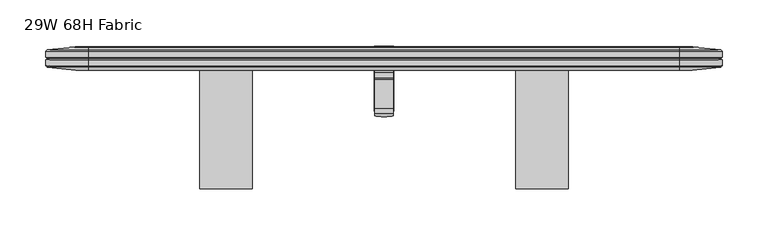
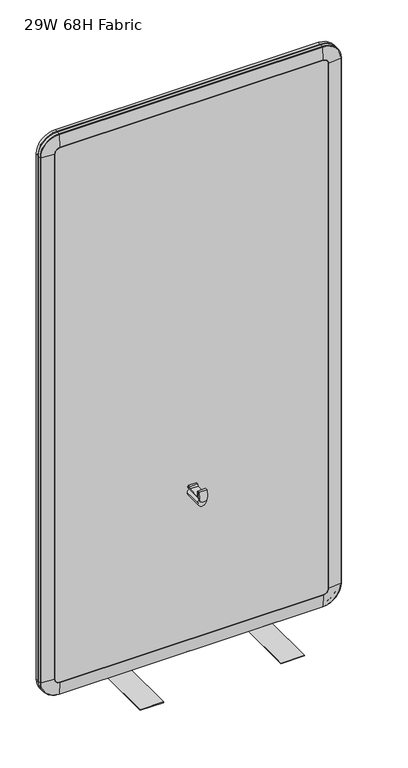
"""IFC4 building model written with IfcOpenShell, lengths in millimetres: furniture geometry, 29W 68H Fabric."""

from ifc_helpers import new_model, si_unit, point, frame, origin, place, context, project, spatial, polyline, circle_curve, ellipse_curve, trimmed, outline, extrude, faceted_brep, source, transform, mapped, element, save
from ifc_brep_helpers import plane_surface, cylinder_surface, revolved_surface, advanced_brep


def furniture_29w_68h_fabric_e9968ca6(model_context):
    return source(origin(), model_context, "Body", "SolidModel", [
        faceted_brep([(378.0789937, -2.6277066, 718.3078995), (378.0789937, -7.8728065, 718.3078995), (378.0789937, -9.612707, 713.1770353), (378.0789937, -41.8453065, 713.1770353), (378.0789937, -41.8453065, 727.3377989), (378.0789937, -47.4124812, 727.6782578), (378.0789937, -49.3824418, 711.6342516), (378.0789937, -46.6092656, 711.2937476), (378.0789937, -44.6393083, 725.0708588), (378.0789937, -44.6393083, 711.6530731), (378.0789937, 0.0, 711.6530731), (378.0789937, 0.0, 713.1770353), (378.0789937, -6.4377066, 713.1770353), (378.0789937, -6.2853063, 716.7838646), (378.0789937, -2.6277066, 716.7838646), (358.4447997, -2.6277066, 718.3078995), (358.4447997, -2.6277066, 716.7838646), (358.4447997, -6.2853063, 716.7838646), (358.4447997, -6.4377066, 713.1770353), (358.4447997, 0.0, 713.1770353), (358.4447997, 0.0, 711.6530731), (358.4447997, -44.6393083, 711.6530731), (358.4447997, -44.6393083, 725.0708588), (358.4447997, -46.6092689, 711.2937201), (358.4447997, -49.3824418, 711.6342516), (358.4447997, -47.4124812, 727.6782578), (358.4447997, -41.8453065, 727.3377989), (358.4447997, -41.8453065, 713.1770353), (358.4447997, -9.612707, 713.1770353), (358.4447997, -7.8728065, 718.3078995), (359.7326571, -50.2284276, 704.7442655), (365.0869088, -50.5788515, 701.8902979), (371.4368846, -50.5788515, 701.8902979), (376.7911363, -50.2284276, 704.7442655), (359.7326571, -47.4552511, 704.4037615), (376.7911363, -47.4552511, 704.4037615), (371.4368846, -47.805675, 701.5497938), (365.0869088, -47.805675, 701.5497938)], [[[0, 1, 2, 3, 4, 5, 6, 7, 8, 9, 10, 11, 12, 13, 14]], [[15, 16, 17, 18, 19, 20, 21, 22, 23, 24, 25, 26, 27, 28, 29]], [[1, 0, 15, 29]], [[2, 1, 29, 28]], [[3, 2, 28, 27]], [[4, 3, 27, 26]], [[5, 4, 26, 25]], [[6, 5, 25, 24, 30, 31, 32, 33]], [[8, 7, 23, 22]], [[9, 8, 22, 21]], [[10, 9, 21, 20]], [[11, 10, 20, 19]], [[12, 11, 19, 18]], [[13, 12, 18, 17]], [[14, 13, 17, 16]], [[0, 14, 16, 15]], [[34, 23, 7, 35, 36, 37]], [[31, 30, 34, 37]], [[32, 31, 37, 36]], [[33, 32, 36, 35]], [[6, 33, 35, 7]], [[30, 24, 23, 34]]]),
        advanced_brep(
        [(357.6250945, -44.6393083, 697.9244563), (378.8987055, -44.6393083, 697.9244563), (357.6250945, 26.4188362, 697.9244563), (378.8987055, 26.4188362, 697.9244563)],
        [
            (0, 1, circle_curve(frame((368.2619, -44.6393083, 697.9244563), z_axis=(0.0, -1.0, 0.0), x_axis=(1.0, 0.0, 0.0)), 10.6368055)),
            (1, 0, circle_curve(frame((368.2619, -44.6393083, 697.9244563), z_axis=(0.0, -1.0, 0.0), x_axis=(1.0, 0.0, 0.0)), 10.6368055)),
            (2, 3, circle_curve(frame((368.2619, 26.4188362, 697.9244563), z_axis=(0.0, 1.0, 0.0), x_axis=(1.0, 0.0, 0.0)), 10.6368055)),
            (3, 2, circle_curve(frame((368.2619, 26.4188362, 697.9244563), z_axis=(0.0, 1.0, 0.0), x_axis=(1.0, 0.0, 0.0)), 10.6368055)),
            (0, 2),
            (3, 1),
        ],
        [
            plane_surface(frame((378.8987055, -44.6393083, 697.9244563), z_axis=(0.0, -1.0, 0.0), x_axis=(0.0, 0.0, 1.0))),
            plane_surface(frame((378.8987055, 26.4188362, 697.9244563), z_axis=(0.0, 1.0, 0.0), x_axis=(0.0, 0.0, -1.0))),
            cylinder_surface(frame((368.2619, 26.4188362, 697.9244563), z_axis=(0.0, -1.0, 0.0), x_axis=(1.0, 0.0, 0.0)), 10.6368055),
        ],
        [
            (0, [[1, 2]]),
            (1, [[3, 4]]),
            (2, [[-1, 5, -4, 6]]),
            (2, [[-2, -6, -3, -5]]),
        ],
    ),
        extrude(outline(polyline([(11.6100608, 299.6271871), (13.3880602, 299.6271871), (13.3880602, 280.5771871), (-128.851937, 280.5771871), (-128.851937, 282.3551854), (11.6100608, 282.3551854), (11.6100608, 299.6271871)])), frame((511.8098934, 0.0, 0.0), z_axis=(1.0, 0.0, 0.0), x_axis=(0.0, 1.0, 0.0)), (0.0, 0.0, 1.0), 57.15),
        advanced_brep(
        [(32.6290972, 0.060067, 1685.4384987), (46.0374985, 0.060067, 1698.8469), (46.0374985, 3.1660648, 1729.8795636), (1.5964336, 3.1660648, 1685.4384987), (33.8323782, 0.0, 1685.4384987), (46.0374985, 0.0, 1697.6436189), (31.2877283, 25.2051854, 1685.4384987), (46.0374985, 25.2051854, 1700.1882689), (46.0374985, 25.4000008, 1696.2954989), (35.1804983, 25.4000008, 1685.4384987), (1.5874985, 22.2249992, 1685.4384987), (46.0374985, 22.2249992, 1729.8884987), (0.0635363, 20.7010007, 1685.4384987), (46.0374985, 20.7010007, 1731.4124609), (0.0635363, 14.2240001, 1685.4384987), (46.0374985, 14.2240001, 1731.4124609), (1.5874985, 12.7000004, 1685.4384987), (46.0374985, 12.7000004, 1729.8884987), (0.0635363, 11.1759996, 1685.4384987), (46.0374985, 11.1759996, 1731.4124609), (0.0635363, 4.6990001, 1685.4384987), (46.0374985, 4.6990001, 1731.4124609), (1.5964336, 3.1660648, 329.7896689), (32.6290972, 0.060067, 329.7896689), (33.8323782, 0.0, 329.7896689), (35.1804983, 25.4000008, 329.7896689), (31.2877283, 25.2051854, 329.7896689), (1.5874985, 22.2249992, 329.7896689), (0.0635363, 20.7010007, 329.7896689), (0.0635363, 14.2240001, 329.7896689), (1.5874985, 12.7000004, 329.7896689), (0.0635363, 11.1759996, 329.7896689), (0.0635363, 4.6990001, 329.7896689), (46.0374985, 3.1660648, 285.3486041), (46.0374985, 0.060067, 316.3812677), (46.0374985, 0.0, 317.5845487), (46.0374985, 25.4000008, 318.9326688), (46.0374985, 25.2051854, 315.0398987), (46.0374985, 22.2249992, 285.3396689), (46.0374985, 20.7010007, 283.8157067), (46.0374985, 14.2240001, 283.8157067), (46.0374985, 12.7000004, 285.3396689), (46.0374985, 11.1759996, 283.8157067), (46.0374985, 4.6990001, 283.8157067), (690.4863176, 3.1660648, 285.3486041), (690.4863176, 0.060067, 316.3812677), (690.4863176, 0.0, 317.5845487), (690.4863176, 25.4000008, 318.9326688), (690.4863176, 25.2051854, 315.0398987), (690.4863176, 22.2249992, 285.3396689), (690.4863176, 20.7010007, 283.8157067), (690.4863176, 14.2240001, 283.8157067), (690.4863176, 12.7000004, 285.3396689), (690.4863176, 11.1759996, 283.8157067), (690.4863176, 4.6990001, 283.8157067), (734.9273825, 3.1660648, 329.7896689), (703.8947189, 0.060067, 329.7896689), (702.6914379, 0.0, 329.7896689), (701.3433178, 25.4000008, 329.7896689), (705.2360878, 25.2051854, 329.7896689), (734.9363176, 22.2249992, 329.7896689), (736.4602798, 20.7010007, 329.7896689), (736.4602798, 14.2240001, 329.7896689), (734.9363176, 12.7000004, 329.7896689), (736.4602798, 11.1759996, 329.7896689), (736.4602798, 4.6990001, 329.7896689), (734.9273825, 3.1660648, 1685.4384987), (703.8947189, 0.060067, 1685.4384987), (702.6914379, 0.0, 1685.4384987), (701.3433178, 25.4000008, 1685.4384987), (705.2360878, 25.2051854, 1685.4384987), (734.9363176, 22.2249992, 1685.4384987), (736.4602798, 20.7010007, 1685.4384987), (736.4602798, 14.2240001, 1685.4384987), (734.9363176, 12.7000004, 1685.4384987), (736.4602798, 11.1759996, 1685.4384987), (736.4602798, 4.6990001, 1685.4384987), (690.4863176, 3.1660648, 1729.8795636), (690.4863176, 0.060067, 1698.8469), (690.4863176, 0.0, 1697.6436189), (690.4863176, 25.4000008, 1696.2954989), (690.4863176, 25.2051854, 1700.1882689), (690.4863176, 22.2249992, 1729.8884987), (690.4863176, 20.7010007, 1731.4124609), (690.4863176, 14.2240001, 1731.4124609), (690.4863176, 12.7000004, 1729.8884987), (690.4863176, 11.1759996, 1731.4124609), (690.4863176, 4.6990001, 1731.4124609)],
        [
            (0, 1, circle_curve(frame((46.0374985, 0.060067, 1685.4384987), z_axis=(0.0, 1.0, 0.0), x_axis=(0.0, 0.0, 1.0)), 13.4084013)),
            (1, 2),
            (2, 3, circle_curve(frame((46.0374985, 3.1660648, 1685.4384987), z_axis=(0.0, -1.0, 0.0), x_axis=(0.0, 0.0, 1.0)), 44.4410649)),
            (3, 0),
            (0, 4, circle_curve(frame((33.8323782, 12.0822956, 1685.4384987), z_axis=(0.0, 0.0, 1.0), x_axis=(1.0, 0.0, 0.0)), 12.0822956)),
            (4, 5, circle_curve(frame((46.0374985, 0.0, 1685.4384987), z_axis=(0.0, 1.0, 0.0), x_axis=(0.0, 0.0, 1.0)), 12.2051202)),
            (5, 1, circle_curve(frame((46.0374985, 12.0822956, 1697.6436189), z_axis=(-1.0, 0.0, 0.0), x_axis=(0.0, 0.0, -1.0)), 12.0822956)),
            (6, 7, circle_curve(frame((46.0374985, 25.2051854, 1685.4384987), z_axis=(0.0, 1.0, 0.0), x_axis=(0.0, 0.0, 1.0)), 14.7497702)),
            (7, 8, circle_curve(frame((46.0374985, -13.589762, 1696.2954989), z_axis=(-1.0, 0.0, 0.0), x_axis=(0.0, 0.0, -1.0)), 38.9897628)),
            (8, 9, circle_curve(frame((46.0374985, 25.4000008, 1685.4384987), z_axis=(0.0, -1.0, 0.0), x_axis=(0.0, 0.0, 1.0)), 10.8570002)),
            (9, 6, circle_curve(frame((35.1804983, -13.589762, 1685.4384987), z_axis=(0.0, 0.0, 1.0), x_axis=(1.0, 0.0, 0.0)), 38.9897628)),
            (6, 10),
            (10, 11, circle_curve(frame((46.0374985, 22.2249992, 1685.4384987), z_axis=(0.0, 1.0, 0.0), x_axis=(0.0, 0.0, 1.0)), 44.45)),
            (11, 7),
            (10, 12),
            (12, 13, circle_curve(frame((46.0374985, 20.7010007, 1685.4384987), z_axis=(0.0, 1.0, 0.0), x_axis=(0.0, 0.0, 1.0)), 45.9739622)),
            (13, 11),
            (12, 14),
            (14, 15, circle_curve(frame((46.0374985, 14.2240001, 1685.4384987), z_axis=(0.0, 1.0, 0.0), x_axis=(0.0, 0.0, 1.0)), 45.9739622)),
            (15, 13),
            (14, 16),
            (16, 17, circle_curve(frame((46.0374985, 12.7000004, 1685.4384987), z_axis=(0.0, 1.0, 0.0), x_axis=(0.0, 0.0, 1.0)), 44.45)),
            (17, 15),
            (16, 18),
            (18, 19, circle_curve(frame((46.0374985, 11.1759996, 1685.4384987), z_axis=(0.0, 1.0, 0.0), x_axis=(0.0, 0.0, 1.0)), 45.9739622)),
            (19, 17),
            (18, 20),
            (20, 21, circle_curve(frame((46.0374985, 4.6990001, 1685.4384987), z_axis=(0.0, 1.0, 0.0), x_axis=(0.0, 0.0, 1.0)), 45.9739622)),
            (21, 19),
            (2, 21),
            (20, 3),
            (3, 22),
            (22, 23),
            (23, 0),
            (23, 24, circle_curve(frame((33.8323782, 12.0822956, 329.7896689), z_axis=(0.0, 0.0, 1.0), x_axis=(1.0, 0.0, 0.0)), 12.0822956)),
            (24, 4),
            (9, 25),
            (25, 26, circle_curve(frame((35.1804983, -13.589762, 329.7896689), z_axis=(0.0, 0.0, 1.0), x_axis=(1.0, 0.0, 0.0)), 38.9897628)),
            (26, 6),
            (26, 27),
            (27, 10),
            (27, 28),
            (28, 12),
            (28, 29),
            (29, 14),
            (29, 30),
            (30, 16),
            (30, 31),
            (31, 18),
            (31, 32),
            (32, 20),
            (32, 22),
            (22, 33, circle_curve(frame((46.0374985, 3.1660648, 329.7896689), z_axis=(0.0, -1.0, 0.0), x_axis=(-1.0, 0.0, 0.0)), 44.4410649)),
            (33, 34),
            (34, 23, circle_curve(frame((46.0374985, 0.060067, 329.7896689), z_axis=(0.0, 1.0, 0.0), x_axis=(-1.0, 0.0, 0.0)), 13.4084013)),
            (34, 35, circle_curve(frame((46.0374985, 12.0822956, 317.5845487), z_axis=(-1.0, 0.0, 0.0), x_axis=(0.0, 0.0, 1.0)), 12.0822956)),
            (35, 24, circle_curve(frame((46.0374985, 0.0, 329.7896689), z_axis=(0.0, 1.0, 0.0), x_axis=(-1.0, 0.0, 0.0)), 12.2051202)),
            (25, 36, circle_curve(frame((46.0374985, 25.4000008, 329.7896689), z_axis=(0.0, -1.0, 0.0), x_axis=(-1.0, 0.0, 0.0)), 10.8570002)),
            (36, 37, circle_curve(frame((46.0374985, -13.589762, 318.9326688), z_axis=(-1.0, 0.0, 0.0), x_axis=(0.0, 0.0, 1.0)), 38.9897628)),
            (37, 26, circle_curve(frame((46.0374985, 25.2051854, 329.7896689), z_axis=(0.0, 1.0, 0.0), x_axis=(-1.0, 0.0, 0.0)), 14.7497702)),
            (37, 38),
            (38, 27, circle_curve(frame((46.0374985, 22.2249992, 329.7896689), z_axis=(0.0, 1.0, 0.0), x_axis=(-1.0, 0.0, 0.0)), 44.45)),
            (38, 39),
            (39, 28, circle_curve(frame((46.0374985, 20.7010007, 329.7896689), z_axis=(0.0, 1.0, 0.0), x_axis=(-1.0, 0.0, 0.0)), 45.9739622)),
            (39, 40),
            (40, 29, circle_curve(frame((46.0374985, 14.2240001, 329.7896689), z_axis=(0.0, 1.0, 0.0), x_axis=(-1.0, 0.0, 0.0)), 45.9739622)),
            (40, 41),
            (41, 30, circle_curve(frame((46.0374985, 12.7000004, 329.7896689), z_axis=(0.0, 1.0, 0.0), x_axis=(-1.0, 0.0, 0.0)), 44.45)),
            (41, 42),
            (42, 31, circle_curve(frame((46.0374985, 11.1759996, 329.7896689), z_axis=(0.0, 1.0, 0.0), x_axis=(-1.0, 0.0, 0.0)), 45.9739622)),
            (42, 43),
            (43, 32, circle_curve(frame((46.0374985, 4.6990001, 329.7896689), z_axis=(0.0, 1.0, 0.0), x_axis=(-1.0, 0.0, 0.0)), 45.9739622)),
            (43, 33),
            (33, 44),
            (44, 45),
            (45, 34),
            (45, 46, circle_curve(frame((690.4863176, 12.0822956, 317.5845487), z_axis=(-1.0, 0.0, 0.0), x_axis=(0.0, 0.0, 1.0)), 12.0822956)),
            (46, 35),
            (36, 47),
            (47, 48, circle_curve(frame((690.4863176, -13.589762, 318.9326688), z_axis=(-1.0, 0.0, 0.0), x_axis=(0.0, 0.0, 1.0)), 38.9897628)),
            (48, 37),
            (48, 49),
            (49, 38),
            (49, 50),
            (50, 39),
            (50, 51),
            (51, 40),
            (51, 52),
            (52, 41),
            (52, 53),
            (53, 42),
            (53, 54),
            (54, 43),
            (54, 44),
            (44, 55, circle_curve(frame((690.4863176, 3.1660648, 329.7896689), z_axis=(0.0, -1.0, 0.0), x_axis=(0.0, 0.0, -1.0)), 44.4410649)),
            (55, 56),
            (56, 45, circle_curve(frame((690.4863176, 0.060067, 329.7896689), z_axis=(0.0, 1.0, 0.0), x_axis=(0.0, 0.0, -1.0)), 13.4084013)),
            (56, 57, circle_curve(frame((702.6914379, 12.0822956, 329.7896689), z_axis=(-8.22231172037391e-12, 0.0, -1.0), x_axis=(-1.0, 0.0, 8.22231172037391e-12)), 12.0822956)),
            (57, 46, circle_curve(frame((690.4863176, 0.0, 329.7896689), z_axis=(0.0, 1.0, 0.0), x_axis=(0.0, 0.0, -1.0)), 12.2051202)),
            (47, 58, circle_curve(frame((690.4863176, 25.4000008, 329.7896689), z_axis=(0.0, -1.0, 0.0), x_axis=(0.0, 0.0, -1.0)), 10.8570002)),
            (58, 59, circle_curve(frame((701.3433178, -13.589762, 329.7896689), z_axis=(-1.0154543872431532e-11, 0.0, -1.0), x_axis=(-1.0, 0.0, 1.0154543872431532e-11)), 38.9897628)),
            (59, 48, circle_curve(frame((690.4863176, 25.2051854, 329.7896689), z_axis=(0.0, 1.0, 0.0), x_axis=(0.0, 0.0, -1.0)), 14.7497702)),
            (59, 60),
            (60, 49, circle_curve(frame((690.4863176, 22.2249992, 329.7896689), z_axis=(0.0, 1.0, 0.0), x_axis=(0.0, 0.0, -1.0)), 44.45)),
            (60, 61),
            (61, 50, circle_curve(frame((690.4863176, 20.7010007, 329.7896689), z_axis=(0.0, 1.0, 0.0), x_axis=(0.0, 0.0, -1.0)), 45.9739622)),
            (61, 62),
            (62, 51, circle_curve(frame((690.4863176, 14.2240001, 329.7896689), z_axis=(0.0, 1.0, 0.0), x_axis=(0.0, 0.0, -1.0)), 45.9739622)),
            (62, 63),
            (63, 52, circle_curve(frame((690.4863176, 12.7000004, 329.7896689), z_axis=(0.0, 1.0, 0.0), x_axis=(0.0, 0.0, -1.0)), 44.45)),
            (63, 64),
            (64, 53, circle_curve(frame((690.4863176, 11.1759996, 329.7896689), z_axis=(0.0, 1.0, 0.0), x_axis=(0.0, 0.0, -1.0)), 45.9739622)),
            (64, 65),
            (65, 54, circle_curve(frame((690.4863176, 4.6990001, 329.7896689), z_axis=(0.0, 1.0, 0.0), x_axis=(0.0, 0.0, -1.0)), 45.9739622)),
            (65, 55),
            (55, 66),
            (66, 67),
            (67, 56),
            (67, 68, circle_curve(frame((702.6914379, 12.0822956, 1685.4384987), z_axis=(0.0, 0.0, -1.0), x_axis=(-1.0, 0.0, 0.0)), 12.0822956)),
            (68, 57),
            (58, 69),
            (69, 70, circle_curve(frame((701.3433178, -13.589762, 1685.4384987), z_axis=(0.0, 0.0, -1.0), x_axis=(-1.0, 0.0, 0.0)), 38.9897628)),
            (70, 59),
            (70, 71),
            (71, 60),
            (71, 72),
            (72, 61),
            (72, 73),
            (73, 62),
            (73, 74),
            (74, 63),
            (74, 75),
            (75, 64),
            (75, 76),
            (76, 65),
            (76, 66),
            (66, 77, circle_curve(frame((690.4863176, 3.1660648, 1685.4384987), z_axis=(0.0, -1.0, 0.0), x_axis=(1.0, 0.0, 0.0)), 44.4410649)),
            (77, 78),
            (78, 67, circle_curve(frame((690.4863176, 0.060067, 1685.4384987), z_axis=(0.0, 1.0, 0.0), x_axis=(1.0, 0.0, 0.0)), 13.4084013)),
            (78, 79, circle_curve(frame((690.4863176, 12.0822956, 1697.6436189), z_axis=(1.0, 0.0, 0.0), x_axis=(0.0, 0.0, -1.0)), 12.0822956)),
            (79, 68, circle_curve(frame((690.4863176, 0.0, 1685.4384987), z_axis=(0.0, 1.0, 0.0), x_axis=(1.0, 0.0, 0.0)), 12.2051202)),
            (69, 80, circle_curve(frame((690.4863176, 25.4000008, 1685.4384987), z_axis=(0.0, -1.0, 0.0), x_axis=(1.0, 0.0, 0.0)), 10.8570002)),
            (80, 81, circle_curve(frame((690.4863176, -13.589762, 1696.2954989), z_axis=(1.0, 0.0, 0.0), x_axis=(0.0, 0.0, -1.0)), 38.9897628)),
            (81, 70, circle_curve(frame((690.4863176, 25.2051854, 1685.4384987), z_axis=(0.0, 1.0, 0.0), x_axis=(1.0, 0.0, 0.0)), 14.7497702)),
            (81, 82),
            (82, 71, circle_curve(frame((690.4863176, 22.2249992, 1685.4384987), z_axis=(0.0, 1.0, 0.0), x_axis=(1.0, 0.0, 0.0)), 44.45)),
            (82, 83),
            (83, 72, circle_curve(frame((690.4863176, 20.7010007, 1685.4384987), z_axis=(0.0, 1.0, 0.0), x_axis=(1.0, 0.0, 0.0)), 45.9739622)),
            (83, 84),
            (84, 73, circle_curve(frame((690.4863176, 14.2240001, 1685.4384987), z_axis=(0.0, 1.0, 0.0), x_axis=(1.0, 0.0, 0.0)), 45.9739622)),
            (84, 85),
            (85, 74, circle_curve(frame((690.4863176, 12.7000004, 1685.4384987), z_axis=(0.0, 1.0, 0.0), x_axis=(1.0, 0.0, 0.0)), 44.45)),
            (85, 86),
            (86, 75, circle_curve(frame((690.4863176, 11.1759996, 1685.4384987), z_axis=(0.0, 1.0, 0.0), x_axis=(1.0, 0.0, 0.0)), 45.9739622)),
            (86, 87),
            (87, 76, circle_curve(frame((690.4863176, 4.6990001, 1685.4384987), z_axis=(0.0, 1.0, 0.0), x_axis=(1.0, 0.0, 0.0)), 45.9739622)),
            (87, 77),
            (1, 78),
            (77, 2),
            (5, 79),
            (8, 80),
            (7, 81),
            (11, 82),
            (13, 83),
            (15, 84),
            (17, 85),
            (19, 86),
            (21, 87),
        ],
        [
            revolved_surface(polyline([(46.0374985, 3.1660648, 1729.8795636), (46.0374985, 0.060067, 1698.8469)]), (46.0374985, 0.0, 1685.4384987), (0.0, -1.0, 0.0)),
            revolved_surface(trimmed(ellipse_curve(frame((46.0374985, 12.0822956, 1697.6436189), z_axis=(1.0, 0.0, 0.0), x_axis=(0.0, 0.0, -1.0)), 12.0822956, 12.0822956), [point((46.0374985, 0.060067, 1698.8469))], [point((46.0374985, 0.0, 1697.6436189))], True, "CARTESIAN"), (46.0374985, 0.0, 1685.4384987), (0.0, -1.0, 0.0)),
            revolved_surface(trimmed(ellipse_curve(frame((46.0374985, -13.589762, 1696.2954989), z_axis=(1.0, 0.0, 0.0), x_axis=(0.0, 0.0, -1.0)), 38.9897628, 38.9897628), [point((46.0374985, 25.4000008, 1696.2954989))], [point((46.0374985, 25.2051854, 1700.1882689))], True, "CARTESIAN"), (46.0374985, 0.0, 1685.4384987), (0.0, -1.0, 0.0)),
            revolved_surface(polyline([(46.0374985, 25.2051854, 1700.1882689), (46.0374985, 22.2249992, 1729.8884987)]), (46.0374985, 0.0, 1685.4384987), (0.0, -1.0, 0.0)),
            revolved_surface(polyline([(46.0374985, 22.2249992, 1729.8884987), (46.0374985, 20.7010007, 1731.4124609)]), (46.0374985, 0.0, 1685.4384987), (0.0, -1.0, 0.0)),
            cylinder_surface(frame((46.0374985, 0.0, 1685.4384987), z_axis=(0.0, -1.0, 0.0), x_axis=(0.0, 0.0, 1.0)), 45.9739622),
            revolved_surface(polyline([(46.0374985, 14.2240001, 1731.4124609), (46.0374985, 12.7000004, 1729.8884987)]), (46.0374985, 0.0, 1685.4384987), (0.0, -1.0, 0.0)),
            revolved_surface(polyline([(46.0374985, 12.7000004, 1729.8884987), (46.0374985, 11.1759996, 1731.4124609)]), (46.0374985, 0.0, 1685.4384987), (0.0, -1.0, 0.0)),
            revolved_surface(polyline([(46.0374985, 4.6990001, 1731.4124609), (46.0374985, 3.1660648, 1729.8795636)]), (46.0374985, 0.0, 1685.4384987), (0.0, -1.0, 0.0)),
            plane_surface(frame((1.5964336, 3.1660648, 1685.4384987), z_axis=(-0.09959043254809558, -0.9950285150410934, 0.0), x_axis=(0.0, 0.0, -1.0))),
            cylinder_surface(frame((33.8323782, 12.0822956, 1685.4384987), z_axis=(0.0, 0.0, 1.0), x_axis=(1.0, 0.0, 0.0)), 12.0822956),
            cylinder_surface(frame((35.1804983, -13.589762, 1685.4384987), z_axis=(0.0, 0.0, 1.0), x_axis=(1.0, 0.0, 0.0)), 38.9897628),
            plane_surface(frame((31.2877283, 25.2051854, 1685.4384987), z_axis=(-0.09984082330665782, 0.9950034221053959, 0.0), x_axis=(0.0, 0.0, -1.0))),
            plane_surface(frame((1.5874985, 22.2249992, 1685.4384987), z_axis=(-0.7071152106163843, 0.7070983516562223, 0.0), x_axis=(0.0, 0.0, -1.0))),
            plane_surface(frame((0.0635363, 20.7010007, 1685.4384987), z_axis=(-1.0, 0.0, 0.0), x_axis=(0.0, 0.0, -1.0))),
            plane_surface(frame((0.0635363, 14.2240001, 1685.4384987), z_axis=(-0.7071154740296444, -0.7070980882365836, 0.0), x_axis=(0.0, 0.0, -1.0))),
            plane_surface(frame((1.5874985, 12.7000004, 1685.4384987), z_axis=(-0.7071157374448838, 0.7070978248147695, 0.0), x_axis=(0.0, 0.0, -1.0))),
            plane_surface(frame((0.0635363, 11.1759996, 1685.4384987), z_axis=(-1.0, 0.0, 0.0), x_axis=(0.0, 0.0, -1.0))),
            plane_surface(frame((0.0635363, 4.6990001, 1685.4384987), z_axis=(-0.7071155398836171, -0.7070980223809855, 0.0), x_axis=(0.0, 0.0, -1.0))),
            revolved_surface(polyline([(1.5964336, 3.1660648, 329.7896689), (32.6290972, 0.060067, 329.7896689)]), (46.0374985, 0.0, 329.7896689), (0.0, -1.0, 0.0)),
            revolved_surface(trimmed(ellipse_curve(frame((33.8323782, 12.0822956, 329.7896689), z_axis=(0.0, 0.0, 1.0), x_axis=(1.0, 0.0, 0.0)), 12.0822956, 12.0822956), [point((32.6290972, 0.060067, 329.7896689))], [point((33.8323782, 0.0, 329.7896689))], True, "CARTESIAN"), (46.0374985, 0.0, 329.7896689), (0.0, -1.0, 0.0)),
            revolved_surface(trimmed(ellipse_curve(frame((35.1804983, -13.589762, 329.7896689), z_axis=(0.0, 0.0, 1.0), x_axis=(1.0, 0.0, 0.0)), 38.9897628, 38.9897628), [point((35.1804983, 25.4000008, 329.7896689))], [point((31.2877283, 25.2051854, 329.7896689))], True, "CARTESIAN"), (46.0374985, 0.0, 329.7896689), (0.0, -1.0, 0.0)),
            revolved_surface(polyline([(31.2877283, 25.2051854, 329.7896689), (1.5874985, 22.2249992, 329.7896689)]), (46.0374985, 0.0, 329.7896689), (0.0, -1.0, 0.0)),
            revolved_surface(polyline([(1.5874985, 22.2249992, 329.7896689), (0.0635363, 20.7010007, 329.7896689)]), (46.0374985, 0.0, 329.7896689), (0.0, -1.0, 0.0)),
            cylinder_surface(frame((46.0374985, 0.0, 329.7896689), z_axis=(0.0, -1.0, 0.0), x_axis=(-1.0, 0.0, 0.0)), 45.9739622),
            revolved_surface(polyline([(0.0635363, 14.2240001, 329.7896689), (1.5874985, 12.7000004, 329.7896689)]), (46.0374985, 0.0, 329.7896689), (0.0, -1.0, 0.0)),
            revolved_surface(polyline([(1.5874985, 12.7000004, 329.7896689), (0.0635363, 11.1759996, 329.7896689)]), (46.0374985, 0.0, 329.7896689), (0.0, -1.0, 0.0)),
            revolved_surface(polyline([(0.0635363, 4.6990001, 329.7896689), (1.5964336, 3.1660648, 329.7896689)]), (46.0374985, 0.0, 329.7896689), (0.0, -1.0, 0.0)),
            plane_surface(frame((46.0374985, 3.1660648, 285.3486041), z_axis=(0.0, -0.9950285150410885, -0.09959043254814469), x_axis=(1.0, 0.0, 0.0))),
            cylinder_surface(frame((46.0374985, 12.0822956, 317.5845487), z_axis=(-1.0, 0.0, 0.0), x_axis=(0.0, 0.0, 1.0)), 12.0822956),
            cylinder_surface(frame((46.0374985, -13.589762, 318.9326688), z_axis=(-1.0, 0.0, 0.0), x_axis=(0.0, 0.0, 1.0)), 38.9897628),
            plane_surface(frame((46.0374985, 25.2051854, 315.0398987), z_axis=(0.0, 0.9950034221054009, -0.09984082330660872), x_axis=(1.0, 0.0, 0.0))),
            plane_surface(frame((46.0374985, 22.2249992, 285.3396689), z_axis=(0.0, 0.7070983516562571, -0.7071152106163494), x_axis=(1.0, 0.0, 0.0))),
            plane_surface(frame((46.0374985, 20.7010007, 283.8157067), z_axis=(0.0, 0.0, -1.0), x_axis=(1.0, 0.0, 0.0))),
            plane_surface(frame((46.0374985, 14.2240001, 283.8157067), z_axis=(0.0, -0.7070980882365487, -0.7071154740296792), x_axis=(1.0, 0.0, 0.0))),
            plane_surface(frame((46.0374985, 12.7000004, 285.3396689), z_axis=(0.0, 0.7070978248148043, -0.7071157374448489), x_axis=(1.0, 0.0, 0.0))),
            plane_surface(frame((46.0374985, 11.1759996, 283.8157067), z_axis=(0.0, 0.0, -1.0), x_axis=(1.0, 0.0, 0.0))),
            plane_surface(frame((46.0374985, 4.6990001, 283.8157067), z_axis=(0.0, -0.7070980223809508, -0.7071155398836521), x_axis=(1.0, 0.0, 0.0))),
            revolved_surface(polyline([(690.4863176, 3.1660648, 285.3486041), (690.4863176, 0.060067, 316.3812677)]), (690.4863176, 0.0, 329.7896689), (0.0, -1.0, 0.0)),
            revolved_surface(trimmed(ellipse_curve(frame((690.4863176, 12.0822956, 317.5845487), z_axis=(-1.0, 0.0, 0.0), x_axis=(0.0, 0.0, 1.0)), 12.0822956, 12.0822956), [point((690.4863176, 0.060067, 316.3812677))], [point((690.4863176, 0.0, 317.5845487))], True, "CARTESIAN"), (690.4863176, 0.0, 329.7896689), (0.0, -1.0, 0.0)),
            revolved_surface(trimmed(ellipse_curve(frame((690.4863176, -13.589762, 318.9326688), z_axis=(-1.0, 0.0, 0.0), x_axis=(0.0, 0.0, 1.0)), 38.9897628, 38.9897628), [point((690.4863176, 25.4000008, 318.9326688))], [point((690.4863176, 25.2051854, 315.0398987))], True, "CARTESIAN"), (690.4863176, 0.0, 329.7896689), (0.0, -1.0, 0.0)),
            revolved_surface(polyline([(690.4863176, 25.2051854, 315.0398987), (690.4863176, 22.2249992, 285.3396689)]), (690.4863176, 0.0, 329.7896689), (0.0, -1.0, 0.0)),
            revolved_surface(polyline([(690.4863176, 22.2249992, 285.3396689), (690.4863176, 20.7010007, 283.8157067)]), (690.4863176, 0.0, 329.7896689), (0.0, -1.0, 0.0)),
            cylinder_surface(frame((690.4863176, 0.0, 329.7896689), z_axis=(0.0, -1.0, 0.0), x_axis=(0.0, 0.0, -1.0)), 45.9739622),
            revolved_surface(polyline([(690.4863176, 14.2240001, 283.8157067), (690.4863176, 12.7000004, 285.3396689)]), (690.4863176, 0.0, 329.7896689), (0.0, -1.0, 0.0)),
            revolved_surface(polyline([(690.4863176, 12.7000004, 285.3396689), (690.4863176, 11.1759996, 283.8157067)]), (690.4863176, 0.0, 329.7896689), (0.0, -1.0, 0.0)),
            revolved_surface(polyline([(690.4863176, 4.6990001, 283.8157067), (690.4863176, 3.1660648, 285.3486041)]), (690.4863176, 0.0, 329.7896689), (0.0, -1.0, 0.0)),
            plane_surface(frame((734.9273825, 3.1660648, 329.7896689), z_axis=(0.09959043254809558, -0.9950285150410934, 0.0), x_axis=(0.0, 0.0, 1.0))),
            cylinder_surface(frame((702.6914379, 12.0822956, 329.7896689), z_axis=(0.0, 0.0, -1.0), x_axis=(-1.0, 0.0, 0.0)), 12.0822956),
            cylinder_surface(frame((701.3433178, -13.589762, 329.7896689), z_axis=(0.0, 0.0, -1.0), x_axis=(-1.0, 0.0, 0.0)), 38.9897628),
            plane_surface(frame((705.2360878, 25.2051854, 329.7896689), z_axis=(0.09984082330665783, 0.995003422105396, 0.0), x_axis=(0.0, 0.0, 1.0))),
            plane_surface(frame((734.9363176, 22.2249992, 329.7896689), z_axis=(0.7071152106163843, 0.7070983516562223, 0.0), x_axis=(0.0, 0.0, 1.0))),
            plane_surface(frame((736.4602798, 20.7010007, 329.7896689), z_axis=(1.0, 0.0, 0.0), x_axis=(0.0, 0.0, 1.0))),
            plane_surface(frame((736.4602798, 14.2240001, 329.7896689), z_axis=(0.7071154740296444, -0.7070980882365836, 0.0), x_axis=(0.0, 0.0, 1.0))),
            plane_surface(frame((734.9363176, 12.7000004, 329.7896689), z_axis=(0.7071157374448838, 0.7070978248147695, 0.0), x_axis=(0.0, 0.0, 1.0))),
            plane_surface(frame((736.4602798, 11.1759996, 329.7896689), z_axis=(1.0, 0.0, 0.0), x_axis=(0.0, 0.0, 1.0))),
            plane_surface(frame((736.4602798, 4.6990001, 329.7896689), z_axis=(0.7071155398836172, -0.7070980223809856, 0.0), x_axis=(0.0, 0.0, 1.0))),
            revolved_surface(polyline([(734.9273825, 3.1660648, 1685.4384987), (703.8947189, 0.060067, 1685.4384987)]), (690.4863176, 0.0, 1685.4384987), (0.0, -1.0, 0.0)),
            revolved_surface(trimmed(ellipse_curve(frame((702.6914379, 12.0822956, 1685.4384987), z_axis=(0.0, 0.0, -1.0), x_axis=(-1.0, 0.0, 0.0)), 12.0822956, 12.0822956), [point((703.8947189, 0.060067, 1685.4384987))], [point((702.6914379, 0.0, 1685.4384987))], True, "CARTESIAN"), (690.4863176, 0.0, 1685.4384987), (0.0, -1.0, 0.0)),
            revolved_surface(trimmed(ellipse_curve(frame((701.3433178, -13.589762, 1685.4384987), z_axis=(0.0, 0.0, -1.0), x_axis=(-1.0, 0.0, 0.0)), 38.9897628, 38.9897628), [point((701.3433178, 25.4000008, 1685.4384987))], [point((705.2360878, 25.2051854, 1685.4384987))], True, "CARTESIAN"), (690.4863176, 0.0, 1685.4384987), (0.0, -1.0, 0.0)),
            revolved_surface(polyline([(705.2360878, 25.2051854, 1685.4384987), (734.9363176, 22.2249992, 1685.4384987)]), (690.4863176, 0.0, 1685.4384987), (0.0, -1.0, 0.0)),
            revolved_surface(polyline([(734.9363176, 22.2249992, 1685.4384987), (736.4602798, 20.7010007, 1685.4384987)]), (690.4863176, 0.0, 1685.4384987), (0.0, -1.0, 0.0)),
            cylinder_surface(frame((690.4863176, 0.0, 1685.4384987), z_axis=(0.0, -1.0, 0.0), x_axis=(1.0, 0.0, 0.0)), 45.9739622),
            revolved_surface(polyline([(736.4602798, 14.2240001, 1685.4384987), (734.9363176, 12.7000004, 1685.4384987)]), (690.4863176, 0.0, 1685.4384987), (0.0, -1.0, 0.0)),
            revolved_surface(polyline([(734.9363176, 12.7000004, 1685.4384987), (736.4602798, 11.1759996, 1685.4384987)]), (690.4863176, 0.0, 1685.4384987), (0.0, -1.0, 0.0)),
            revolved_surface(polyline([(736.4602798, 4.6990001, 1685.4384987), (734.9273825, 3.1660648, 1685.4384987)]), (690.4863176, 0.0, 1685.4384987), (0.0, -1.0, 0.0)),
            plane_surface(frame((690.4863176, 3.1660648, 1729.8795636), z_axis=(0.0, -0.9950285150410982, 0.09959043254804646), x_axis=(-1.0, 0.0, 0.0))),
            cylinder_surface(frame((690.4863176, 12.0822956, 1697.6436189), z_axis=(1.0, 0.0, 0.0), x_axis=(0.0, 0.0, -1.0)), 12.0822956),
            plane_surface(frame((690.4863176, 0.0, 1697.6436189), z_axis=(0.0, -1.0, 0.0), x_axis=(-1.0, 0.0, 0.0))),
            plane_surface(frame((690.4863176, 25.4000008, 1691.7884987), z_axis=(0.0, 1.0, 0.0), x_axis=(-1.0, 0.0, 0.0))),
            cylinder_surface(frame((690.4863176, -13.589762, 1696.2954989), z_axis=(1.0, 0.0, 0.0), x_axis=(0.0, 0.0, -1.0)), 38.9897628),
            plane_surface(frame((690.4863176, 25.2051854, 1700.1882689), z_axis=(0.0, 0.9950034221053912, 0.09984082330670695), x_axis=(-1.0, 0.0, 0.0))),
            plane_surface(frame((690.4863176, 22.2249992, 1729.8884987), z_axis=(0.0, 0.7070983516561874, 0.7071152106164191), x_axis=(-1.0, 0.0, 0.0))),
            plane_surface(frame((690.4863176, 20.7010007, 1731.4124609), z_axis=(0.0, 0.0, 1.0), x_axis=(-1.0, 0.0, 0.0))),
            plane_surface(frame((690.4863176, 14.2240001, 1731.4124609), z_axis=(0.0, -0.7070980882366185, 0.7071154740296095), x_axis=(-1.0, 0.0, 0.0))),
            plane_surface(frame((690.4863176, 12.7000004, 1729.8884987), z_axis=(0.0, 0.7070978248147346, 0.7071157374449186), x_axis=(-1.0, 0.0, 0.0))),
            plane_surface(frame((690.4863176, 11.1759996, 1731.4124609), z_axis=(0.0, 0.0, 1.0), x_axis=(-1.0, 0.0, 0.0))),
            plane_surface(frame((690.4863176, 4.6990001, 1731.4124609), z_axis=(0.0, -0.7070980223810205, 0.7071155398835823), x_axis=(-1.0, 0.0, 0.0))),
        ],
        [
            (0, [[1, 2, 3, 4]]),
            (1, [[-1, 5, 6, 7]]),
            (2, [[8, 9, 10, 11]]),
            (3, [[-8, 12, 13, 14]]),
            (4, [[-13, 15, 16, 17]]),
            (5, [[-16, 18, 19, 20]]),
            (6, [[-19, 21, 22, 23]]),
            (7, [[-22, 24, 25, 26]]),
            (5, [[-25, 27, 28, 29]]),
            (8, [[-3, 30, -28, 31]]),
            (9, [[-4, 32, 33, 34]]),
            (10, [[-5, -34, 35, 36]]),
            (11, [[-11, 37, 38, 39]]),
            (12, [[-12, -39, 40, 41]]),
            (13, [[-15, -41, 42, 43]]),
            (14, [[-18, -43, 44, 45]]),
            (15, [[-21, -45, 46, 47]]),
            (16, [[-24, -47, 48, 49]]),
            (17, [[-27, -49, 50, 51]]),
            (18, [[-31, -51, 52, -32]]),
            (19, [[-33, 53, 54, 55]]),
            (20, [[-35, -55, 56, 57]]),
            (21, [[-38, 58, 59, 60]]),
            (22, [[-40, -60, 61, 62]]),
            (23, [[-42, -62, 63, 64]]),
            (24, [[-44, -64, 65, 66]]),
            (25, [[-46, -66, 67, 68]]),
            (26, [[-48, -68, 69, 70]]),
            (24, [[-50, -70, 71, 72]]),
            (27, [[-52, -72, 73, -53]]),
            (28, [[-54, 74, 75, 76]]),
            (29, [[-56, -76, 77, 78]]),
            (30, [[-59, 79, 80, 81]]),
            (31, [[-61, -81, 82, 83]]),
            (32, [[-63, -83, 84, 85]]),
            (33, [[-65, -85, 86, 87]]),
            (34, [[-67, -87, 88, 89]]),
            (35, [[-69, -89, 90, 91]]),
            (36, [[-71, -91, 92, 93]]),
            (37, [[-73, -93, 94, -74]]),
            (38, [[-75, 95, 96, 97]]),
            (39, [[-77, -97, 98, 99]]),
            (40, [[-80, 100, 101, 102]]),
            (41, [[-82, -102, 103, 104]]),
            (42, [[-84, -104, 105, 106]]),
            (43, [[-86, -106, 107, 108]]),
            (44, [[-88, -108, 109, 110]]),
            (45, [[-90, -110, 111, 112]]),
            (43, [[-92, -112, 113, 114]]),
            (46, [[-94, -114, 115, -95]]),
            (47, [[-96, 116, 117, 118]]),
            (48, [[-98, -118, 119, 120]]),
            (49, [[-101, 121, 122, 123]]),
            (50, [[-103, -123, 124, 125]]),
            (51, [[-105, -125, 126, 127]]),
            (52, [[-107, -127, 128, 129]]),
            (53, [[-109, -129, 130, 131]]),
            (54, [[-111, -131, 132, 133]]),
            (55, [[-113, -133, 134, 135]]),
            (56, [[-115, -135, 136, -116]]),
            (57, [[-117, 137, 138, 139]]),
            (58, [[-119, -139, 140, 141]]),
            (59, [[-122, 142, 143, 144]]),
            (60, [[-124, -144, 145, 146]]),
            (61, [[-126, -146, 147, 148]]),
            (62, [[-128, -148, 149, 150]]),
            (63, [[-130, -150, 151, 152]]),
            (64, [[-132, -152, 153, 154]]),
            (62, [[-134, -154, 155, 156]]),
            (65, [[-136, -156, 157, -137]]),
            (66, [[-2, 158, -138, 159]]),
            (67, [[-7, 160, -140, -158]]),
            (68, [[-6, -36, -57, -78, -99, -120, -141, -160]]),
            (69, [[-10, 161, -142, -121, -100, -79, -58, -37]]),
            (70, [[-9, 162, -143, -161]]),
            (71, [[-14, 163, -145, -162]]),
            (72, [[-17, 164, -147, -163]]),
            (73, [[-20, 165, -149, -164]]),
            (74, [[-23, 166, -151, -165]]),
            (75, [[-26, 167, -153, -166]]),
            (76, [[-29, 168, -155, -167]]),
            (77, [[-30, -159, -157, -168]]),
        ],
    ),
        extrude(outline(polyline([(11.6100608, 299.6271871), (13.3880602, 299.6271871), (13.3880602, 280.5771871), (-128.851937, 280.5771871), (-128.851937, 282.3551854), (11.6100608, 282.3551854), (11.6100608, 299.6271871)])), frame((167.5639, 0.0, 0.0), z_axis=(1.0, 0.0, 0.0), x_axis=(0.0, 1.0, 0.0)), (0.0, 0.0, 1.0), 57.15),
    ])


if __name__ == "__main__":
    model = new_model("IFC4")
    model_context = context("Model", 3, world=origin())
    ifc_project = project(units=[si_unit("LENGTHUNIT", "METRE", prefix="MILLI")], contexts=[model_context])
    site = spatial("IfcSite", under=ifc_project)
    building = spatial("IfcBuilding", under=site)
    placement = place(None, origin())
    furniture_29w_68h_fabric_shape = furniture_29w_68h_fabric_e9968ca6(model_context)
    element("IfcFurniture", 1, ObjectType="29W 68H Fabric", at=placement, inside=building, context=model_context, shape_type="MappedRepresentation", body=[
        mapped(furniture_29w_68h_fabric_shape, transform((0.0, 0.0, 0.0), x_axis=(1.0, 0.0, 0.0), y_axis=(0.0, 1.0, 0.0), z_axis=(0.0, 0.0, 1.0))),
    ])
    save(model, "model.ifc")
